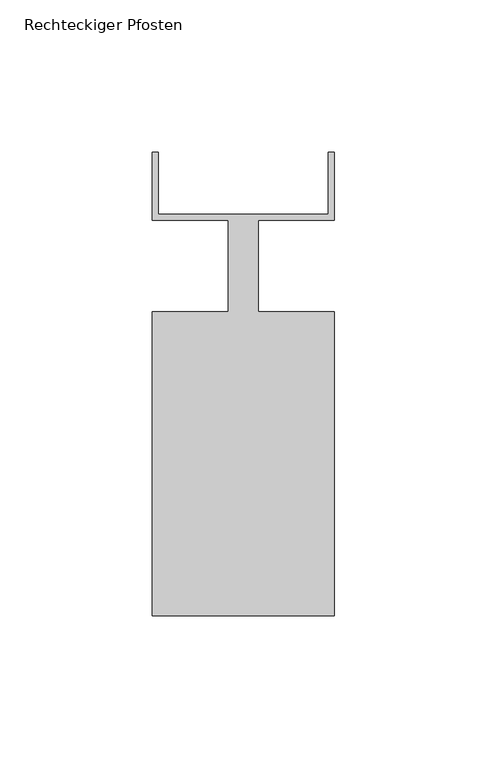
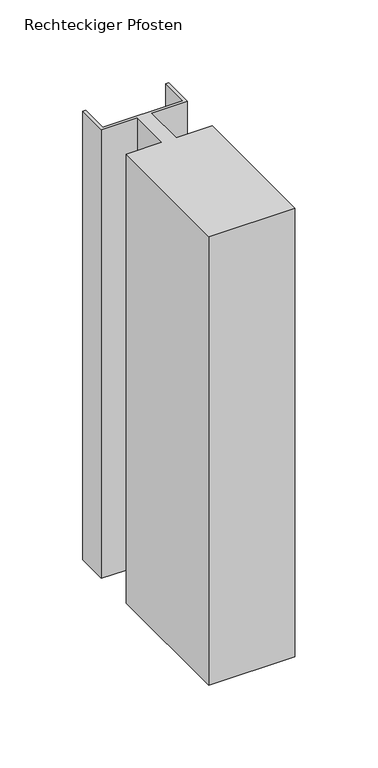
"""IFC4 building model written with IfcOpenShell, lengths in millimetres: member geometry, Rechteckiger Pfosten."""

from ifc_helpers import new_model, si_unit, frame, origin, place, context, project, spatial, polyline, outline, extrude, source, transform, mapped, element, save


def rechteckiger_pfosten_c5855000(model_context):
    return source(origin(), model_context, "Body", "SweptSolid", [
        extrude(outline(polyline([(-2.0, 37.5), (0.0, 37.5), (0.0, 15.0), (-25.0, 15.0), (-25.0, -15.0), (0.0, -15.0), (0.0, -115.0), (-60.0, -115.0), (-60.0, -15.0), (-35.0, -15.0), (-35.0, 15.0), (-60.0, 15.0), (-60.0, 37.5), (-58.0, 37.5), (-58.0, 17.0), (-2.0, 17.0), (-2.0, 37.5)])), frame((0.0, 0.0, -331.1111111), z_axis=(0.0, 0.0, 1.0), x_axis=(1.0, 0.0, 0.0)), (0.0, 0.0, 1.0), 331.1111111),
    ])


if __name__ == "__main__":
    model = new_model("IFC4")
    model_context = context("Model", 3, world=origin())
    ifc_project = project(units=[si_unit("LENGTHUNIT", "METRE", prefix="MILLI")], contexts=[model_context])
    site = spatial("IfcSite", under=ifc_project)
    building = spatial("IfcBuilding", under=site)
    placement = place(None, origin())
    rechteckiger_pfosten_shape = rechteckiger_pfosten_c5855000(model_context)
    element("IfcMember", 1, ObjectType="Rechteckiger Pfosten", at=placement, inside=building, context=model_context, shape_type="MappedRepresentation", body=[
        mapped(rechteckiger_pfosten_shape, transform((0.0, 0.0, 0.0), x_axis=(1.0, 0.0, 0.0), y_axis=(0.0, 1.0, 0.0), z_axis=(0.0, 0.0, 1.0))),
    ])
    save(model, "model.ifc")
